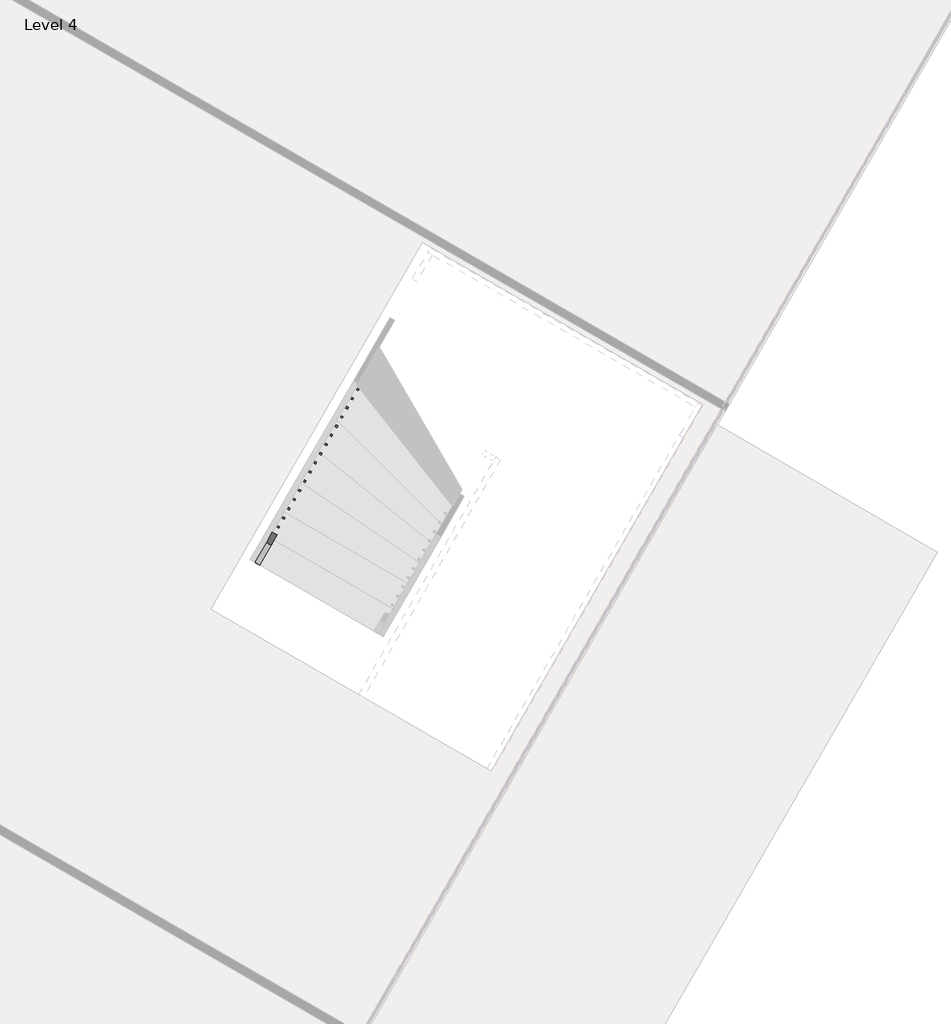
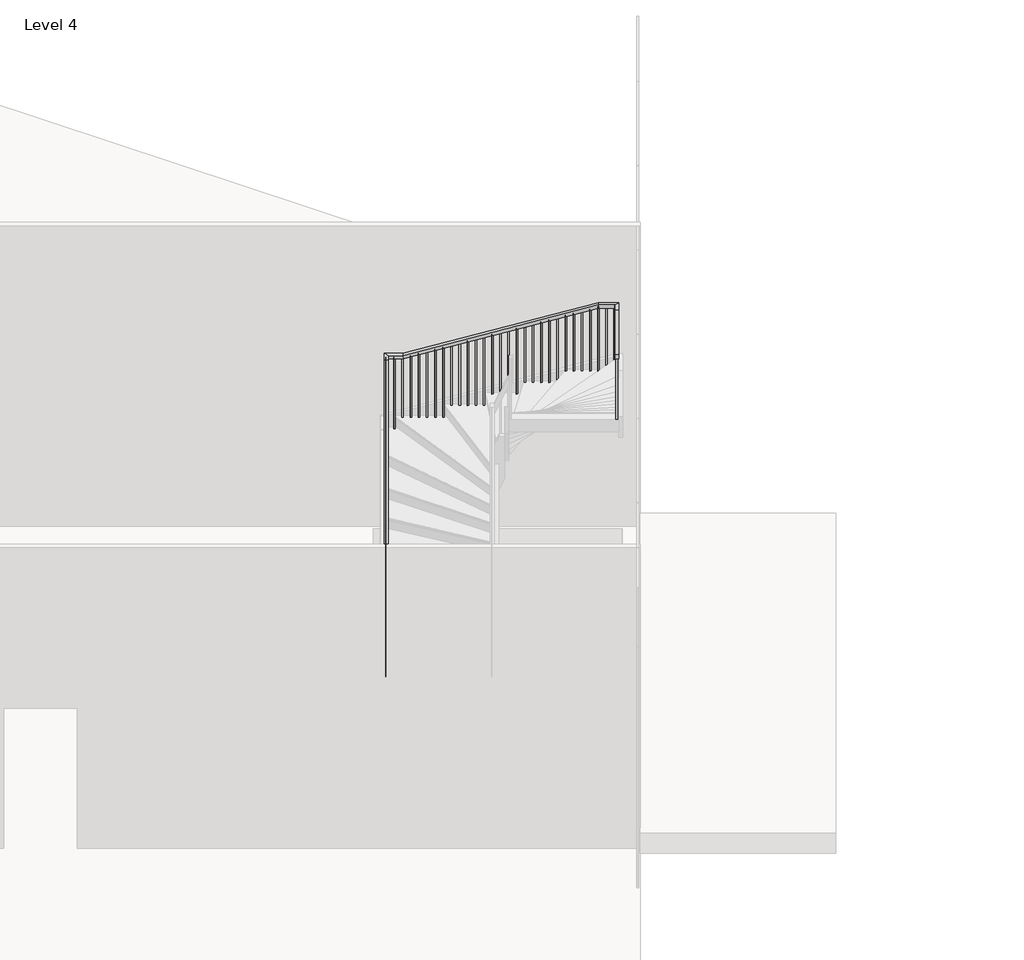
# One storey, part 3 of 5: 1 railing.
"""IFC4 building model written with IfcOpenShell, lengths in millimetres."""

from ifc_helpers import new_model, si_unit, frame, origin, place, context, project, spatial, polyline, outline, extrude, faceted_brep, element, save

model = new_model("IFC4")

# Units and contexts
model_context = context("Model", 3, world=origin())
ifc_project = project(units=[si_unit("LENGTHUNIT", "METRE", prefix="MILLI")], contexts=[model_context])

# Site, building, storey
site = spatial("IfcSite", under=ifc_project)
building = spatial("IfcBuilding", under=site)
storey = spatial("IfcBuildingStorey", under=building, Name="Level 4", Elevation=16764.0)

# Railing
placement = place(None, origin())
element("IfcRailing", 1, ObjectType="Handrail - Rectangular", at=placement, inside=storey, context=model_context, shape_type="SolidModel", body=[
    faceted_brep([(54295.3554538, -117408.8419097, 17854.2461538), (54295.3554538, -117408.8419097, 17797.4945841), (54339.3538093, -117434.2345211, 17797.4945841), (54339.3538093, -117434.2345211, 17854.2461538), (55919.4528111, -114594.7314645, 19472.4336285), (55925.426117, -114584.3813815, 19421.6336285), (55969.4244725, -114609.7739929, 19421.6336285), (55963.4511666, -114620.1240759, 19472.4336285), (55997.1584277, -114460.0891745, 19472.4336285), (55997.1584277, -114460.0891745, 19421.6336285), (56015.7641719, -114529.4801414, 19421.6336285), (56015.7641719, -114529.4801414, 19472.4336285), (56196.5956379, -114575.1896485, 19472.4336285), (56203.3854407, -114579.1082227, 19421.6336285), (56177.9928293, -114623.1065782, 19421.6336285), (56171.2030265, -114619.188004, 19472.4336285), (58305.5331789, -115792.3131245, 20242.2893522), (58312.3229817, -115796.2316988, 20191.4893522), (58286.9303703, -115840.2300543, 20191.4893522), (58280.1405675, -115836.31148, 20242.2893522), (58525.9750192, -115919.5359245, 20242.2893522), (58525.9750192, -115919.5359245, 20191.4893522), (58456.5840523, -115938.1416686, 20191.4893522), (58456.5840523, -115938.1416686, 20242.2893522), (58443.9888374, -116061.5952471, 20242.2893522), (58437.7539841, -116072.3985194, 20191.4893522), (58393.7556285, -116047.005908, 20191.4893522), (58399.9904819, -116036.2026358, 20242.2893522), (56523.2126938, -119389.7677759, 22250.4), (56479.2143382, -119364.3751645, 22250.4), (56479.2143382, -119364.3751645, 22193.0816582), (56523.2126938, -119389.7677759, 22193.0816582)], [[[0, 1, 2, 3]], [[1, 0, 4, 5]], [[2, 1, 5, 6]], [[3, 2, 6, 7]], [[0, 3, 7, 4]], [[5, 4, 8, 9]], [[6, 5, 9, 10]], [[7, 6, 10, 11]], [[4, 7, 11, 8]], [[9, 8, 12, 13]], [[10, 9, 13, 14]], [[11, 10, 14, 15]], [[8, 11, 15, 12]], [[13, 12, 16, 17]], [[14, 13, 17, 18]], [[15, 14, 18, 19]], [[12, 15, 19, 16]], [[17, 16, 20, 21]], [[18, 17, 21, 22]], [[19, 18, 22, 23]], [[16, 19, 23, 20]], [[21, 20, 24, 25]], [[22, 21, 25, 26]], [[23, 22, 26, 27]], [[20, 23, 27, 24]], [[28, 29, 30, 31]], [[25, 24, 28, 31]], [[26, 25, 31, 30]], [[27, 26, 30, 29]], [[24, 27, 29, 28]]]),
    extrude(outline(polyline([(223.6224054, 19.05), (1251.6561526, 19.05), (1251.6561526, 0.0), (233.5775947, 0.0), (223.6224054, 19.05)])), frame((56523.6666546, -119357.2219492, 22411.8099988), z_axis=(-0.8661093604012479, 0.4998545546709976, 0.0), x_axis=(0.0, 0.0, -1.0)), (0.0, 0.0, 1.0), 19.05),
    extrude(outline(polyline([(223.6224054, 19.05), (1198.56181, 19.05), (1198.56181, 0.0), (233.5775946, 0.0), (223.6224054, 19.05)])), frame((56574.4518773, -119269.2252382, 22358.7156562), z_axis=(-0.8661093604012479, 0.4998545546709976, 0.0), x_axis=(0.0, 0.0, -1.0)), (0.0, 0.0, 1.0), 19.05),
    extrude(outline(polyline([(223.6224054, 19.0500001), (1145.4674674, 19.0500001), (1145.4674674, 0.0), (233.5775946, 0.0), (223.6224054, 19.0500001)])), frame((56625.2371001, -119181.2285271, 22305.6213136), z_axis=(-0.8661093604012479, 0.4998545546709976, 0.0), x_axis=(0.0, 0.0, -1.0)), (0.0, 0.0, 1.0), 19.05),
    extrude(outline(polyline([(223.6224053, 19.05), (1268.2192787, 19.05), (1268.2192787, 0.0), (233.5775946, 0.0), (223.6224053, 19.05)])), frame((56676.0223229, -119093.2318161, 22252.526971), z_axis=(-0.8661093604012479, 0.4998545546709976, 0.0), x_axis=(0.0, 0.0, -1.0)), (0.0, 0.0, 1.0), 19.05),
    extrude(outline(polyline([(223.6224054, 19.05), (1215.1249362, 19.05), (1215.1249362, 0.0), (233.5775946, 0.0), (223.6224054, 19.05)])), frame((56726.8075456, -119005.2351051, 22199.4326285), z_axis=(-0.8661093604012479, 0.4998545546709976, 0.0), x_axis=(0.0, 0.0, -1.0)), (0.0, 0.0, 1.0), 19.05),
    extrude(outline(polyline([(223.6224054, 19.05), (1162.0305936, 19.05), (1162.0305936, 0.0), (233.5775946, 0.0), (223.6224054, 19.05)])), frame((56777.5927684, -118917.2383941, 22146.3382859), z_axis=(-0.8661093604012479, 0.4998545546709976, 0.0), x_axis=(0.0, 0.0, -1.0)), (0.0, 0.0, 1.0), 19.05),
    extrude(outline(polyline([(223.6224053, 19.05), (1284.7824048, 19.05), (1284.7824048, 0.0), (233.5775946, 0.0), (223.6224053, 19.05)])), frame((56828.3779911, -118829.2416831, 22093.2439433), z_axis=(-0.8661093604012479, 0.4998545546709976, 0.0), x_axis=(0.0, 0.0, -1.0)), (0.0, 0.0, 1.0), 19.05),
    extrude(outline(polyline([(223.6224054, 19.05), (1231.6880623, 19.05), (1231.6880623, 0.0), (233.5775946, 0.0), (223.6224054, 19.05)])), frame((56879.1632139, -118741.2449721, 22040.1496008), z_axis=(-0.8661093604012479, 0.4998545546709976, 0.0), x_axis=(0.0, 0.0, -1.0)), (0.0, 0.0, 1.0), 19.05),
    extrude(outline(polyline([(223.6224054, 19.05), (1178.5937197, 19.05), (1178.5937197, 0.0), (233.5775946, 0.0), (223.6224054, 19.05)])), frame((56929.9484366, -118653.248261, 21987.0552582), z_axis=(-0.8661093604012479, 0.4998545546709976, 0.0), x_axis=(0.0, 0.0, -1.0)), (0.0, 0.0, 1.0), 19.05),
    extrude(outline(polyline([(223.6224053, 19.05), (1301.345531, 19.05), (1301.345531, 0.0), (233.5775946, 0.0), (223.6224053, 19.05)])), frame((56980.7336594, -118565.25155, 21933.9609156), z_axis=(-0.8661093604012479, 0.4998545546709976, 0.0), x_axis=(0.0, 0.0, -1.0)), (0.0, 0.0, 1.0), 19.05),
    extrude(outline(polyline([(223.6224054, 19.05), (1248.2511885, 19.05), (1248.2511885, 0.0), (233.5775946, 0.0), (223.6224054, 19.05)])), frame((57031.5188821, -118477.254839, 21880.8665731), z_axis=(-0.8661093604012479, 0.4998545546709976, 0.0), x_axis=(0.0, 0.0, -1.0)), (0.0, 0.0, 1.0), 19.05),
    extrude(outline(polyline([(223.6224054, 19.05), (1195.1568459, 19.05), (1195.1568459, 0.0), (233.5775946, 0.0), (223.6224054, 19.05)])), frame((57082.3041049, -118389.258128, 21827.7722305), z_axis=(-0.8661093604012479, 0.4998545546709976, 0.0), x_axis=(0.0, 0.0, -1.0)), (0.0, 0.0, 1.0), 19.05),
    extrude(outline(polyline([(223.6224053, 19.05), (1317.9086571, 19.05), (1317.9086571, 0.0), (233.5775946, 0.0), (223.6224053, 19.05)])), frame((57133.0893276, -118301.261417, 21774.6778879), z_axis=(-0.8661093604012479, 0.4998545546709976, 0.0), x_axis=(0.0, 0.0, -1.0)), (0.0, 0.0, 1.0), 19.05),
    extrude(outline(polyline([(223.6224054, 19.05), (1264.8143146, 19.05), (1264.8143146, 0.0), (233.5775946, 0.0), (223.6224054, 19.05)])), frame((57183.8745504, -118213.264706, 21721.5835454), z_axis=(-0.8661093604012479, 0.4998545546709976, 0.0), x_axis=(0.0, 0.0, -1.0)), (0.0, 0.0, 1.0), 19.05),
    extrude(outline(polyline([(223.6224054, 19.0500001), (1211.719972, 19.0500001), (1211.719972, 0.0), (233.5775946, 0.0), (223.6224054, 19.0500001)])), frame((57234.6597732, -118125.2679949, 21668.4892028), z_axis=(-0.8661093604012479, 0.4998545546709976, 0.0), x_axis=(0.0, 0.0, -1.0)), (0.0, 0.0, 1.0), 19.05),
    extrude(outline(polyline([(223.6224053, 19.05), (1334.4717833, 19.05), (1334.4717833, 0.0), (233.5775946, 0.0), (223.6224053, 19.05)])), frame((57285.4449959, -118037.2712839, 21615.3948602), z_axis=(-0.8661093604012479, 0.4998545546709976, 0.0), x_axis=(0.0, 0.0, -1.0)), (0.0, 0.0, 1.0), 19.05),
    extrude(outline(polyline([(223.6224054, 19.05), (1281.3774408, 19.05), (1281.3774408, 0.0), (233.5775946, 0.0), (223.6224054, 19.05)])), frame((57336.2302187, -117949.2745729, 21562.3005177), z_axis=(-0.8661093604012479, 0.4998545546709976, 0.0), x_axis=(0.0, 0.0, -1.0)), (0.0, 0.0, 1.0), 19.05),
    extrude(outline(polyline([(223.6224054, 19.05), (1228.2830982, 19.05), (1228.2830982, 0.0), (233.5775946, 0.0), (223.6224054, 19.05)])), frame((57387.0154414, -117861.2778619, 21509.2061751), z_axis=(-0.8661093604012479, 0.4998545546709976, 0.0), x_axis=(0.0, 0.0, -1.0)), (0.0, 0.0, 1.0), 19.05),
    extrude(outline(polyline([(223.6224053, 19.05), (1351.0349094, 19.05), (1351.0349094, 0.0), (233.5775946, 0.0), (223.6224053, 19.05)])), frame((57437.8006642, -117773.2811509, 21456.1118325), z_axis=(-0.8661093604012479, 0.4998545546709976, 0.0), x_axis=(0.0, 0.0, -1.0)), (0.0, 0.0, 1.0), 19.05),
    extrude(outline(polyline([(223.6224054, 19.05), (1297.9405669, 19.05), (1297.9405669, 0.0), (233.5775946, 0.0), (223.6224054, 19.05)])), frame((57488.5858869, -117685.2844399, 21403.01749), z_axis=(-0.8661093604012479, 0.4998545546709976, 0.0), x_axis=(0.0, 0.0, -1.0)), (0.0, 0.0, 1.0), 19.05),
    extrude(outline(polyline([(223.6224054, 19.0500001), (1244.8462243, 19.0500001), (1244.8462243, 0.0), (233.5775946, 0.0), (223.6224054, 19.0500001)])), frame((57539.3711097, -117597.2877288, 21349.9231474), z_axis=(-0.8661093604012479, 0.4998545546709976, 0.0), x_axis=(0.0, 0.0, -1.0)), (0.0, 0.0, 1.0), 19.05),
    extrude(outline(polyline([(223.6224053, 19.05), (1191.7518817, 19.05), (1191.7518817, 0.0), (233.5775946, 0.0), (223.6224053, 19.05)])), frame((57590.1563324, -117509.2910178, 21296.8288048), z_axis=(-0.8661093604012479, 0.4998545546709976, 0.0), x_axis=(0.0, 0.0, -1.0)), (0.0, 0.0, 1.0), 19.05),
    extrude(outline(polyline([(223.6224054, 19.05), (1314.5036931, 19.05), (1314.5036931, 0.0), (233.5775946, 0.0), (223.6224054, 19.05)])), frame((57640.9415552, -117421.2943068, 21243.7344623), z_axis=(-0.8661093604012479, 0.4998545546709976, 0.0), x_axis=(0.0, 0.0, -1.0)), (0.0, 0.0, 1.0), 19.05),
    extrude(outline(polyline([(223.6224054, 19.05), (1261.4093505, 19.05), (1261.4093505, 0.0), (233.5775946, 0.0), (223.6224054, 19.05)])), frame((57691.7267779, -117333.2975958, 21190.6401197), z_axis=(-0.8661093604012479, 0.4998545546709976, 0.0), x_axis=(0.0, 0.0, -1.0)), (0.0, 0.0, 1.0), 19.05),
    extrude(outline(polyline([(223.6224053, 19.05), (1208.3150079, 19.05), (1208.3150079, 0.0), (233.5775946, 0.0), (223.6224053, 19.05)])), frame((57742.5120007, -117245.3008848, 21137.5457771), z_axis=(-0.8661093604012479, 0.4998545546709976, 0.0), x_axis=(0.0, 0.0, -1.0)), (0.0, 0.0, 1.0), 19.05),
    extrude(outline(polyline([(223.6224054, 19.05), (1331.0668192, 19.05), (1331.0668192, 0.0), (233.5775946, 0.0), (223.6224054, 19.05)])), frame((57793.2972235, -117157.3041738, 21084.4514346), z_axis=(-0.8661093604012479, 0.4998545546709976, 0.0), x_axis=(0.0, 0.0, -1.0)), (0.0, 0.0, 1.0), 19.05),
    extrude(outline(polyline([(223.6224054, 19.0500001), (1277.9724766, 19.0500001), (1277.9724766, 0.0), (233.5775946, 0.0), (223.6224054, 19.0500001)])), frame((57844.0824462, -117069.3074627, 21031.357092), z_axis=(-0.8661093604012479, 0.4998545546709976, 0.0), x_axis=(0.0, 0.0, -1.0)), (0.0, 0.0, 1.0), 19.05),
    extrude(outline(polyline([(223.6224053, 19.05), (1224.878134, 19.05), (1224.878134, 0.0), (233.5775946, 0.0), (223.6224053, 19.05)])), frame((57894.867669, -116981.3107517, 20978.2627494), z_axis=(-0.8661093604012479, 0.4998545546709976, 0.0), x_axis=(0.0, 0.0, -1.0)), (0.0, 0.0, 1.0), 19.05),
    extrude(outline(polyline([(223.6224054, 19.05), (1171.7837915, 19.05), (1171.7837915, 0.0), (233.5775946, 0.0), (223.6224054, 19.05)])), frame((57945.6528917, -116893.3140407, 20925.1684069), z_axis=(-0.8661093604012479, 0.4998545546709976, 0.0), x_axis=(0.0, 0.0, -1.0)), (0.0, 0.0, 1.0), 19.05),
    extrude(outline(polyline([(223.6224054, 19.05), (1294.5356028, 19.05), (1294.5356028, 0.0), (233.5775946, 0.0), (223.6224054, 19.05)])), frame((57996.4381145, -116805.3173297, 20872.0740643), z_axis=(-0.8661093604012479, 0.4998545546709976, 0.0), x_axis=(0.0, 0.0, -1.0)), (0.0, 0.0, 1.0), 19.05),
    extrude(outline(polyline([(223.6224053, 19.05), (1241.4412602, 19.05), (1241.4412602, 0.0), (233.5775946, 0.0), (223.6224053, 19.05)])), frame((58047.2233372, -116717.3206187, 20818.9797217), z_axis=(-0.8661093604012479, 0.4998545546709976, 0.0), x_axis=(0.0, 0.0, -1.0)), (0.0, 0.0, 1.0), 19.05),
    extrude(outline(polyline([(223.6224054, 19.05), (1188.3469177, 19.05), (1188.3469177, 0.0), (233.5775946, 0.0), (223.6224054, 19.05)])), frame((58098.00856, -116629.3239077, 20765.8853792), z_axis=(-0.8661093604012479, 0.4998545546709976, 0.0), x_axis=(0.0, 0.0, -1.0)), (0.0, 0.0, 1.0), 19.05),
    extrude(outline(polyline([(223.6224054, 19.05), (1135.2525751, 19.05), (1135.2525751, 0.0), (233.5775946, 0.0), (223.6224054, 19.05)])), frame((58148.7937827, -116541.3271966, 20712.7910366), z_axis=(-0.8661093604012479, 0.4998545546709976, 0.0), x_axis=(0.0, 0.0, -1.0)), (0.0, 0.0, 1.0), 19.05),
    extrude(outline(polyline([(223.6224053, 19.05), (1258.0043863, 19.05), (1258.0043863, 0.0), (233.5775946, 0.0), (223.6224053, 19.05)])), frame((58199.5790055, -116453.3304856, 20659.696694), z_axis=(-0.8661093604012479, 0.4998545546709976, 0.0), x_axis=(0.0, 0.0, -1.0)), (0.0, 0.0, 1.0), 19.05),
    extrude(outline(polyline([(223.6224054, 19.05), (1204.9100438, 19.05), (1204.9100438, 0.0), (233.5775946, 0.0), (223.6224054, 19.05)])), frame((58250.3642282, -116365.3337746, 20606.6023515), z_axis=(-0.8661093604012479, 0.4998545546709976, 0.0), x_axis=(0.0, 0.0, -1.0)), (0.0, 0.0, 1.0), 19.05),
    extrude(outline(polyline([(223.6224054, 19.05), (1151.8157012, 19.05), (1151.8157012, 0.0), (233.5775946, 0.0), (223.6224054, 19.05)])), frame((58301.149451, -116277.3370636, 20553.5080089), z_axis=(-0.8661093604012479, 0.4998545546709976, 0.0), x_axis=(0.0, 0.0, -1.0)), (0.0, 0.0, 1.0), 19.05),
    extrude(outline(polyline([(223.6224053, 19.05), (1098.7213586, 19.05), (1098.7213586, 0.0), (233.5775946, 0.0), (223.6224053, 19.05)])), frame((58351.9346738, -116189.3403526, 20500.4136663), z_axis=(-0.8661093604012479, 0.4998545546709976, 0.0), x_axis=(0.0, 0.0, -1.0)), (0.0, 0.0, 1.0), 19.05),
    extrude(outline(polyline([(223.6224054, 19.05), (1045.6270161, 19.05), (1045.6270161, 0.0), (233.5775946, 0.0), (223.6224054, 19.05)])), frame((58402.7198965, -116101.3436416, 20447.3193238), z_axis=(-0.8661093604012479, 0.4998545546709976, 0.0), x_axis=(0.0, 0.0, -1.0)), (0.0, 0.0, 1.0), 19.05),
    extrude(outline(polyline([(58453.5051193, -116013.3469305), (58443.98289, -116029.8463139), (58427.4835067, -116020.3240846), (58437.0057359, -116003.8247013), (58453.5051193, -116013.3469305)])), frame((0.0, 0.0, 19401.6923077), z_axis=(0.0, 0.0, 1.0), x_axis=(1.0, 0.0, 0.0)), (0.0, 0.0, 1.0), 789.7970445),
    extrude(outline(polyline([(58466.8806313, -115903.7600888), (58483.3800146, -115913.2823181), (58473.8577853, -115929.7817014), (58457.358402, -115920.2594721), (58466.8806313, -115903.7600888)])), frame((0.0, 0.0, 19225.8461538), z_axis=(0.0, 0.0, 1.0), x_axis=(1.0, 0.0, 0.0)), (0.0, 0.0, 1.0), 965.6431983),
    extrude(outline(polyline([(58378.8839202, -115852.974866), (58395.3833036, -115862.4970953), (58385.8610743, -115878.9964786), (58369.361691, -115869.4742494), (58378.8839202, -115852.974866)])), frame((0.0, 0.0, 19225.8461538), z_axis=(0.0, 0.0, 1.0), x_axis=(1.0, 0.0, 0.0)), (0.0, 0.0, 1.0), 965.6431983),
    extrude(outline(polyline([(58290.8872092, -115802.1896433), (58307.3865925, -115811.7118726), (58297.8643633, -115828.2112559), (58281.36498, -115818.6890266), (58290.8872092, -115802.1896433)])), frame((0.0, 0.0, 19225.8461538), z_axis=(0.0, 0.0, 1.0), x_axis=(1.0, 0.0, 0.0)), (0.0, 0.0, 1.0), 965.6431983),
    extrude(outline(polyline([(231.6115033, 19.05), (1160.203689, 19.05), (1160.203689, 0.0), (225.5884967, 0.0), (231.6115033, 19.05)])), frame((58209.8676523, -115777.4260331, 20386.0498428), z_axis=(0.49985455467099926, 0.866109360401247, 0.0), x_axis=(0.0, 0.0, -1.0)), (0.0, 0.0, 1.0), 19.05),
    extrude(outline(polyline([(231.6115033, 19.05), (1128.0809873, 19.05), (1128.0809873, 0.0), (225.5884967, 0.0), (231.6115033, 19.05)])), frame((58121.8709412, -115726.6408104, 20353.9271411), z_axis=(0.49985455467099926, 0.866109360401247, 0.0), x_axis=(0.0, 0.0, -1.0)), (0.0, 0.0, 1.0), 19.05),
    extrude(outline(polyline([(231.6115033, 19.05), (1095.9582855, 19.05), (1095.9582855, 0.0), (225.5884967, 0.0), (231.6115033, 19.05)])), frame((58033.8742302, -115675.8555876, 20321.8044393), z_axis=(0.49985455467099926, 0.866109360401247, 0.0), x_axis=(0.0, 0.0, -1.0)), (0.0, 0.0, 1.0), 19.05),
    extrude(outline(polyline([(231.6115033, 19.05), (1063.8355838, 19.05), (1063.8355838, 0.0), (225.5884967, 0.0), (231.6115033, 19.05)])), frame((57945.8775192, -115625.0703649, 20289.6817376), z_axis=(0.49985455467099926, 0.866109360401247, 0.0), x_axis=(0.0, 0.0, -1.0)), (0.0, 0.0, 1.0), 19.05),
    extrude(outline(polyline([(231.6115033, 19.05), (1207.5590358, 19.05), (1207.5590358, 0.0), (225.5884967, 0.0), (231.6115033, 19.05)])), frame((57857.8808082, -115574.2851421, 20257.5590358), z_axis=(0.49985455467099926, 0.866109360401247, 0.0), x_axis=(0.0, 0.0, -1.0)), (0.0, 0.0, 1.0), 19.05),
    extrude(outline(polyline([(231.6115033, 19.05), (1175.4363341, 19.05), (1175.4363341, 0.0), (225.5884967, 0.0), (231.6115033, 19.05)])), frame((57769.8840972, -115523.4999193, 20225.4363341), z_axis=(0.49985455467099926, 0.866109360401247, 0.0), x_axis=(0.0, 0.0, -1.0)), (0.0, 0.0, 1.0), 19.05),
    extrude(outline(polyline([(231.6115033, 19.0500001), (1143.3136323, 19.0500001), (1143.3136323, 0.0), (225.5884967, 0.0), (231.6115033, 19.0500001)])), frame((57681.8873862, -115472.7146966, 20193.3136323), z_axis=(0.49985455467099926, 0.866109360401247, 0.0), x_axis=(0.0, 0.0, -1.0)), (0.0, 0.0, 1.0), 19.05),
    extrude(outline(polyline([(231.6115033, 19.05), (1111.1909306, 19.05), (1111.1909306, 0.0), (225.5884967, 0.0), (231.6115033, 19.05)])), frame((57593.8906751, -115421.9294738, 20161.1909306), z_axis=(0.49985455467099926, 0.866109360401247, 0.0), x_axis=(0.0, 0.0, -1.0)), (0.0, 0.0, 1.0), 19.05),
    extrude(outline(polyline([(231.6115033, 19.05), (1079.0682288, 19.05), (1079.0682288, 0.0), (225.5884967, 0.0), (231.6115033, 19.05)])), frame((57505.8939641, -115371.1442511, 20129.0682288), z_axis=(0.49985455467099926, 0.866109360401247, 0.0), x_axis=(0.0, 0.0, -1.0)), (0.0, 0.0, 1.0), 19.05),
    extrude(outline(polyline([(231.6115033, 19.05), (1222.7916809, 19.05), (1222.7916809, 0.0), (225.5884967, 0.0), (231.6115033, 19.05)])), frame((57417.8972531, -115320.3590283, 20096.9455271), z_axis=(0.49985455467099926, 0.866109360401247, 0.0), x_axis=(0.0, 0.0, -1.0)), (0.0, 0.0, 1.0), 19.05),
    extrude(outline(polyline([(231.6115033, 19.05), (1190.6689791, 19.05), (1190.6689791, 0.0), (225.5884967, 0.0), (231.6115033, 19.05)])), frame((57329.9005421, -115269.5738056, 20064.8228253), z_axis=(0.49985455467099926, 0.866109360401247, 0.0), x_axis=(0.0, 0.0, -1.0)), (0.0, 0.0, 1.0), 19.05),
    extrude(outline(polyline([(231.6115033, 19.05), (1158.5462774, 19.05), (1158.5462774, 0.0), (225.5884968, 0.0), (231.6115033, 19.05)])), frame((57241.9038311, -115218.7885828, 20032.7001236), z_axis=(0.49985455467099926, 0.866109360401247, 0.0), x_axis=(0.0, 0.0, -1.0)), (0.0, 0.0, 1.0), 19.05),
    extrude(outline(polyline([(231.6115033, 19.0500001), (1126.4235756, 19.0500001), (1126.4235756, 0.0), (225.5884967, 0.0), (231.6115033, 19.0500001)])), frame((57153.9071201, -115168.0033601, 20000.5774218), z_axis=(0.49985455467099926, 0.866109360401247, 0.0), x_axis=(0.0, 0.0, -1.0)), (0.0, 0.0, 1.0), 19.05),
    extrude(outline(polyline([(231.6115033, 19.05), (1270.1470278, 19.05), (1270.1470278, 0.0), (225.5884968, 0.0), (231.6115033, 19.05)])), frame((57065.910409, -115117.2181373, 19968.4547201), z_axis=(0.49985455467099926, 0.866109360401247, 0.0), x_axis=(0.0, 0.0, -1.0)), (0.0, 0.0, 1.0), 19.05),
    extrude(outline(polyline([(231.6115033, 19.05), (1238.024326, 19.05), (1238.024326, 0.0), (225.5884967, 0.0), (231.6115033, 19.05)])), frame((56977.913698, -115066.4329146, 19936.3320183), z_axis=(0.49985455467099926, 0.866109360401247, 0.0), x_axis=(0.0, 0.0, -1.0)), (0.0, 0.0, 1.0), 19.05),
    extrude(outline(polyline([(231.6115033, 19.05), (1205.9016243, 19.05), (1205.9016243, 0.0), (225.5884968, 0.0), (231.6115033, 19.05)])), frame((56889.916987, -115015.6476918, 19904.2093166), z_axis=(0.49985455467099926, 0.866109360401247, 0.0), x_axis=(0.0, 0.0, -1.0)), (0.0, 0.0, 1.0), 19.05),
    extrude(outline(polyline([(231.6115033, 19.05), (1173.7789225, 19.05), (1173.7789225, 0.0), (225.5884967, 0.0), (231.6115033, 19.05)])), frame((56801.920276, -114964.862469, 19872.0866148), z_axis=(0.49985455467099926, 0.866109360401247, 0.0), x_axis=(0.0, 0.0, -1.0)), (0.0, 0.0, 1.0), 19.05),
    extrude(outline(polyline([(231.6115033, 19.05), (1141.6562208, 19.05), (1141.6562208, 0.0), (225.5884968, 0.0), (231.6115033, 19.05)])), frame((56713.923565, -114914.0772463, 19839.9639131), z_axis=(0.49985455467099926, 0.866109360401247, 0.0), x_axis=(0.0, 0.0, -1.0)), (0.0, 0.0, 1.0), 19.05),
    extrude(outline(polyline([(231.6115033, 19.05), (1285.3796728, 19.05), (1285.3796728, 0.0), (225.5884967, 0.0), (231.6115033, 19.05)])), frame((56625.926854, -114863.2920235, 19807.8412113), z_axis=(0.49985455467099926, 0.866109360401247, 0.0), x_axis=(0.0, 0.0, -1.0)), (0.0, 0.0, 1.0), 19.05),
    extrude(outline(polyline([(231.6115033, 19.05), (1253.2569711, 19.05), (1253.2569711, 0.0), (225.5884968, 0.0), (231.6115033, 19.05)])), frame((56537.9301429, -114812.5068008, 19775.7185096), z_axis=(0.49985455467099926, 0.866109360401247, 0.0), x_axis=(0.0, 0.0, -1.0)), (0.0, 0.0, 1.0), 19.05),
    extrude(outline(polyline([(231.6115033, 19.05), (1221.1342693, 19.05), (1221.1342693, 0.0), (225.5884967, 0.0), (231.6115033, 19.05)])), frame((56449.9334319, -114761.721578, 19743.5958078), z_axis=(0.49985455467099926, 0.866109360401247, 0.0), x_axis=(0.0, 0.0, -1.0)), (0.0, 0.0, 1.0), 19.05),
    extrude(outline(polyline([(231.6115033, 19.05), (1189.0115676, 19.05), (1189.0115676, 0.0), (225.5884968, 0.0), (231.6115033, 19.05)])), frame((56361.9367209, -114710.9363553, 19711.4731061), z_axis=(0.49985455467099926, 0.866109360401247, 0.0), x_axis=(0.0, 0.0, -1.0)), (0.0, 0.0, 1.0), 19.05),
    extrude(outline(polyline([(231.6115033, 19.05), (1156.8888658, 19.05), (1156.8888658, 0.0), (225.5884967, 0.0), (231.6115033, 19.05)])), frame((56273.9400099, -114660.1511325, 19679.3504043), z_axis=(0.49985455467099926, 0.866109360401247, 0.0), x_axis=(0.0, 0.0, -1.0)), (0.0, 0.0, 1.0), 19.05),
    extrude(outline(polyline([(56178.9661448, -114583.3442972), (56195.4655281, -114592.8665264), (56185.9432989, -114609.3659098), (56169.4439156, -114599.8436805), (56178.9661448, -114583.3442972)])), frame((0.0, 0.0, 18522.4615385), z_axis=(0.0, 0.0, 1.0), x_axis=(1.0, 0.0, 0.0)), (0.0, 0.0, 1.0), 899.17209),
    extrude(outline(polyline([(56090.9694338, -114532.5590744), (56107.4688171, -114542.0813037), (56097.9465879, -114558.580687), (56081.4472045, -114549.0584577), (56090.9694338, -114532.5590744)])), frame((0.0, 0.0, 18346.6153846), z_axis=(0.0, 0.0, 1.0), x_axis=(1.0, 0.0, 0.0)), (0.0, 0.0, 1.0), 1075.0182439),
    extrude(outline(polyline([(55980.2561762, -114521.1353288), (55989.7784055, -114504.6359455), (56006.2777888, -114514.1581748), (55996.7555595, -114530.6575581), (55980.2561762, -114521.1353288)])), frame((0.0, 0.0, 18346.6153846), z_axis=(0.0, 0.0, 1.0), x_axis=(1.0, 0.0, 0.0)), (0.0, 0.0, 1.0), 1075.0182439),
    extrude(outline(polyline([(55929.4709534, -114609.1320398), (55938.9931827, -114592.6326565), (55955.492566, -114602.1548858), (55945.9703368, -114618.6542691), (55929.4709534, -114609.1320398)])), frame((0.0, 0.0, 18346.6153846), z_axis=(0.0, 0.0, 1.0), x_axis=(1.0, 0.0, 0.0)), (0.0, 0.0, 1.0), 1075.0182439),
    extrude(outline(polyline([(233.3437895, 19.05), (1248.0922759, 19.05), (1248.0922759, 0.0), (223.8562104, 0.0), (233.3437895, 19.05)])), frame((55904.7073433, -114690.1515968, 19594.7076605), z_axis=(-0.8661093604012486, 0.4998545546709967, 0.0), x_axis=(0.0, 0.0, -1.0)), (0.0, 0.0, 1.0), 19.05),
    extrude(outline(polyline([(233.3437895, 19.05), (1197.4918541, 19.05), (1197.4918541, 0.0), (223.8562104, 0.0), (233.3437895, 19.05)])), frame((55853.9221205, -114778.1483078, 19544.1072387), z_axis=(-0.8661093604012486, 0.4998545546709967, 0.0), x_axis=(0.0, 0.0, -1.0)), (0.0, 0.0, 1.0), 19.05),
    extrude(outline(polyline([(233.3437895, 19.05), (1146.8914323, 19.05), (1146.8914323, 0.0), (223.8562104, 0.0), (233.3437895, 19.05)])), frame((55803.1368978, -114866.1450189, 19493.5068169), z_axis=(-0.8661093604012486, 0.4998545546709967, 0.0), x_axis=(0.0, 0.0, -1.0)), (0.0, 0.0, 1.0), 19.05),
    extrude(outline(polyline([(233.3437896, 19.05), (1096.2910105, 19.05), (1096.2910105, 0.0), (223.8562105, 0.0), (233.3437896, 19.05)])), frame((55752.351675, -114954.1417299, 19442.9063951), z_axis=(-0.8661093604012486, 0.4998545546709967, 0.0), x_axis=(0.0, 0.0, -1.0)), (0.0, 0.0, 1.0), 19.05),
    extrude(outline(polyline([(233.3437896, 19.05), (1221.5367425, 19.05), (1221.5367425, 0.0), (223.8562105, 0.0), (233.3437896, 19.05)])), frame((55701.5664523, -115042.1384409, 19392.3059733), z_axis=(-0.8661093604012486, 0.4998545546709967, 0.0), x_axis=(0.0, 0.0, -1.0)), (0.0, 0.0, 1.0), 19.05),
    extrude(outline(polyline([(233.3437895, 19.05), (1170.9363206, 19.05), (1170.9363206, 0.0), (223.8562104, 0.0), (233.3437895, 19.05)])), frame((55650.7812295, -115130.1351519, 19341.7055514), z_axis=(-0.8661093604012486, 0.4998545546709967, 0.0), x_axis=(0.0, 0.0, -1.0)), (0.0, 0.0, 1.0), 19.05),
    extrude(outline(polyline([(233.3437895, 19.05), (1120.3358988, 19.05), (1120.3358988, 0.0), (223.8562104, 0.0), (233.3437895, 19.05)])), frame((55599.9960067, -115218.1318629, 19291.1051296), z_axis=(-0.8661093604012486, 0.4998545546709967, 0.0), x_axis=(0.0, 0.0, -1.0)), (0.0, 0.0, 1.0), 19.05),
    extrude(outline(polyline([(233.3437896, 19.0500001), (1069.735477, 19.0500001), (1069.735477, 0.0), (223.8562105, 0.0), (233.3437896, 19.0500001)])), frame((55549.210784, -115306.1285739, 19240.5047078), z_axis=(-0.8661093604012486, 0.4998545546709967, 0.0), x_axis=(0.0, 0.0, -1.0)), (0.0, 0.0, 1.0), 19.05),
    extrude(outline(polyline([(233.3437896, 19.05), (1019.1350552, 19.05), (1019.1350552, 0.0), (223.8562105, 0.0), (233.3437896, 19.05)])), frame((55498.4255612, -115394.125285, 19189.904286), z_axis=(-0.8661093604012486, 0.4998545546709967, 0.0), x_axis=(0.0, 0.0, -1.0)), (0.0, 0.0, 1.0), 19.05),
    extrude(outline(polyline([(233.3437896, 19.05), (1144.3807873, 19.05), (1144.3807873, 0.0), (223.8562105, 0.0), (233.3437896, 19.05)])), frame((55447.6403385, -115482.121996, 19139.3038642), z_axis=(-0.8661093604012486, 0.4998545546709967, 0.0), x_axis=(0.0, 0.0, -1.0)), (0.0, 0.0, 1.0), 19.05),
    extrude(outline(polyline([(233.3437895, 19.05), (1093.7803654, 19.05), (1093.7803654, 0.0), (223.8562104, 0.0), (233.3437895, 19.05)])), frame((55396.8551157, -115570.118707, 19088.7034423), z_axis=(-0.8661093604012486, 0.4998545546709967, 0.0), x_axis=(0.0, 0.0, -1.0)), (0.0, 0.0, 1.0), 19.05),
    extrude(outline(polyline([(233.3437895, 19.05), (1043.1799436, 19.05), (1043.1799436, 0.0), (223.8562104, 0.0), (233.3437895, 19.05)])), frame((55346.069893, -115658.115418, 19038.1030205), z_axis=(-0.8661093604012486, 0.4998545546709967, 0.0), x_axis=(0.0, 0.0, -1.0)), (0.0, 0.0, 1.0), 19.05),
    extrude(outline(polyline([(233.3437896, 19.05), (1168.4256756, 19.05), (1168.4256756, 0.0), (223.8562105, 0.0), (233.3437896, 19.05)])), frame((55295.2846702, -115746.112129, 18987.5025987), z_axis=(-0.8661093604012486, 0.4998545546709967, 0.0), x_axis=(0.0, 0.0, -1.0)), (0.0, 0.0, 1.0), 19.05),
    extrude(outline(polyline([(233.3437896, 19.0500001), (1117.8252538, 19.0500001), (1117.8252538, 0.0), (223.8562105, 0.0), (233.3437896, 19.0500001)])), frame((55244.4994475, -115834.10884, 18936.9021769), z_axis=(-0.8661093604012486, 0.4998545546709967, 0.0), x_axis=(0.0, 0.0, -1.0)), (0.0, 0.0, 1.0), 19.05),
    extrude(outline(polyline([(233.3437895, 19.05), (1067.2248319, 19.05), (1067.2248319, 0.0), (223.8562104, 0.0), (233.3437895, 19.05)])), frame((55193.7142247, -115922.1055511, 18886.301755), z_axis=(-0.8661093604012486, 0.4998545546709967, 0.0), x_axis=(0.0, 0.0, -1.0)), (0.0, 0.0, 1.0), 19.05),
    extrude(outline(polyline([(233.3437895, 19.05), (1016.6244101, 19.05), (1016.6244101, 0.0), (223.8562104, 0.0), (233.3437895, 19.05)])), frame((55142.929002, -116010.1022621, 18835.7013332), z_axis=(-0.8661093604012486, 0.4998545546709967, 0.0), x_axis=(0.0, 0.0, -1.0)), (0.0, 0.0, 1.0), 19.05),
    extrude(outline(polyline([(233.3437895, 19.05), (1141.8701422, 19.05), (1141.8701422, 0.0), (223.8562105, 0.0), (233.3437895, 19.05)])), frame((55092.1437792, -116098.0989731, 18785.1009114), z_axis=(-0.8661093604012486, 0.4998545546709967, 0.0), x_axis=(0.0, 0.0, -1.0)), (0.0, 0.0, 1.0), 19.05),
    extrude(outline(polyline([(233.3437896, 19.05), (1091.2697204, 19.05), (1091.2697204, 0.0), (223.8562105, 0.0), (233.3437896, 19.05)])), frame((55041.3585564, -116186.0956841, 18734.5004896), z_axis=(-0.8661093604012486, 0.4998545546709967, 0.0), x_axis=(0.0, 0.0, -1.0)), (0.0, 0.0, 1.0), 19.05),
    extrude(outline(polyline([(233.3437896, 19.05), (1040.6692986, 19.05), (1040.6692986, 0.0), (223.8562105, 0.0), (233.3437896, 19.05)])), frame((54990.5733337, -116274.0923951, 18683.9000678), z_axis=(-0.8661093604012486, 0.4998545546709967, 0.0), x_axis=(0.0, 0.0, -1.0)), (0.0, 0.0, 1.0), 19.05),
    extrude(outline(polyline([(233.3437895, 19.05), (1165.9150305, 19.05), (1165.9150305, 0.0), (223.8562104, 0.0), (233.3437895, 19.05)])), frame((54939.7881109, -116362.0891061, 18633.2996459), z_axis=(-0.8661093604012486, 0.4998545546709967, 0.0), x_axis=(0.0, 0.0, -1.0)), (0.0, 0.0, 1.0), 19.05),
    extrude(outline(polyline([(233.3437895, 19.05), (1115.3146087, 19.05), (1115.3146087, 0.0), (223.8562104, 0.0), (233.3437895, 19.05)])), frame((54889.0028882, -116450.0858172, 18582.6992241), z_axis=(-0.8661093604012486, 0.4998545546709967, 0.0), x_axis=(0.0, 0.0, -1.0)), (0.0, 0.0, 1.0), 19.05),
    extrude(outline(polyline([(233.3437896, 19.05), (1064.7141869, 19.05), (1064.7141869, 0.0), (223.8562105, 0.0), (233.3437896, 19.05)])), frame((54838.2176654, -116538.0825282, 18532.0988023), z_axis=(-0.8661093604012486, 0.4998545546709967, 0.0), x_axis=(0.0, 0.0, -1.0)), (0.0, 0.0, 1.0), 19.05),
    extrude(outline(polyline([(233.3437896, 19.05), (1014.1137651, 19.05), (1014.1137651, 0.0), (223.8562105, 0.0), (233.3437896, 19.05)])), frame((54787.4324427, -116626.0792392, 18481.4983805), z_axis=(-0.8661093604012486, 0.4998545546709967, 0.0), x_axis=(0.0, 0.0, -1.0)), (0.0, 0.0, 1.0), 19.05),
    extrude(outline(polyline([(233.3437895, 19.05), (1139.3594971, 19.05), (1139.3594971, 0.0), (223.8562104, 0.0), (233.3437895, 19.05)])), frame((54736.6472199, -116714.0759502, 18430.8979586), z_axis=(-0.8661093604012486, 0.4998545546709967, 0.0), x_axis=(0.0, 0.0, -1.0)), (0.0, 0.0, 1.0), 19.05),
    extrude(outline(polyline([(233.3437895, 19.05), (1088.7590753, 19.05), (1088.7590753, 0.0), (223.8562104, 0.0), (233.3437895, 19.05)])), frame((54685.8619972, -116802.0726612, 18380.2975368), z_axis=(-0.8661093604012486, 0.4998545546709967, 0.0), x_axis=(0.0, 0.0, -1.0)), (0.0, 0.0, 1.0), 19.05),
    extrude(outline(polyline([(233.3437895, 19.0500001), (1038.1586535, 19.0500001), (1038.1586535, 0.0), (223.8562105, 0.0), (233.3437895, 19.0500001)])), frame((54635.0767744, -116890.0693722, 18329.697115), z_axis=(-0.8661093604012486, 0.4998545546709967, 0.0), x_axis=(0.0, 0.0, -1.0)), (0.0, 0.0, 1.0), 19.05),
    extrude(outline(polyline([(233.3437896, 19.05), (1163.4043855, 19.05), (1163.4043855, 0.0), (223.8562105, 0.0), (233.3437896, 19.05)])), frame((54584.2915517, -116978.0660833, 18279.0966932), z_axis=(-0.8661093604012486, 0.4998545546709967, 0.0), x_axis=(0.0, 0.0, -1.0)), (0.0, 0.0, 1.0), 19.05),
    extrude(outline(polyline([(233.3437896, 19.05), (1112.8039637, 19.05), (1112.8039637, 0.0), (223.8562105, 0.0), (233.3437896, 19.05)])), frame((54533.5063289, -117066.0627943, 18228.4962714), z_axis=(-0.8661093604012486, 0.4998545546709967, 0.0), x_axis=(0.0, 0.0, -1.0)), (0.0, 0.0, 1.0), 19.05),
    extrude(outline(polyline([(233.3437895, 19.05), (1062.2035418, 19.05), (1062.2035418, 0.0), (223.8562104, 0.0), (233.3437895, 19.05)])), frame((54482.7211061, -117154.0595053, 18177.8958495), z_axis=(-0.8661093604012486, 0.4998545546709967, 0.0), x_axis=(0.0, 0.0, -1.0)), (0.0, 0.0, 1.0), 19.05),
    extrude(outline(polyline([(233.3437895, 19.05), (1187.4492739, 19.05), (1187.4492739, 0.0), (223.8562104, 0.0), (233.3437895, 19.05)])), frame((54431.9358834, -117242.0562163, 18127.2954277), z_axis=(-0.8661093604012486, 0.4998545546709967, 0.0), x_axis=(0.0, 0.0, -1.0)), (0.0, 0.0, 1.0), 19.05),
    extrude(outline(polyline([(233.3437896, 19.05), (1136.8488521, 19.05), (1136.8488521, 0.0), (223.8562105, 0.0), (233.3437896, 19.05)])), frame((54381.1506606, -117330.0529273, 18076.6950059), z_axis=(-0.8661093604012486, 0.4998545546709967, 0.0), x_axis=(0.0, 0.0, -1.0)), (0.0, 0.0, 1.0), 19.05),
    extrude(outline(polyline([(58487.7909587, -115915.8279903), (58504.290342, -115925.3502195), (58494.7681127, -115941.8496028), (58478.2687294, -115932.3273736), (58487.7909587, -115915.8279903)])), frame((0.0, 0.0, 19400.329724), z_axis=(0.0, 0.0, 1.0), x_axis=(1.0, 0.0, 0.0)), (0.0, 0.0, 1.0), 791.1596282),
    extrude(outline(polyline([(55993.4504935, -114498.273235), (56002.9727228, -114481.7738517), (56019.4721061, -114491.2960809), (56009.9498768, -114507.7954643), (55993.4504935, -114498.273235)])), frame((0.0, 0.0, 18346.6153846), z_axis=(0.0, 0.0, 1.0), x_axis=(1.0, 0.0, 0.0)), (0.0, 0.0, 1.0), 1075.0182439),
    extrude(outline(polyline([(223.6224054, 19.05), (1256.5502174, 19.05), (1256.5502174, 0.0), (233.5775946, 0.0), (223.6224054, 19.05)])), frame((56518.9854369, -119365.3332015, 22416.7040636), z_axis=(-0.8661093604012479, 0.4998545546709976, 0.0), x_axis=(0.0, 0.0, -1.0)), (0.0, 0.0, 1.0), 19.05),
    extrude(outline(polyline([(233.3437895, 19.05), (1090.9922198, 19.05), (1090.9922198, 0.0), (223.8562104, 0.0), (233.3437895, 19.05)])), frame((54335.1265525, -117409.7999467, 18030.8383736), z_axis=(-0.8661093604012486, 0.4998545546709967, 0.0), x_axis=(0.0, 0.0, -1.0)), (0.0, 0.0, 1.0), 19.05),
])

save(model, "model.ifc")
